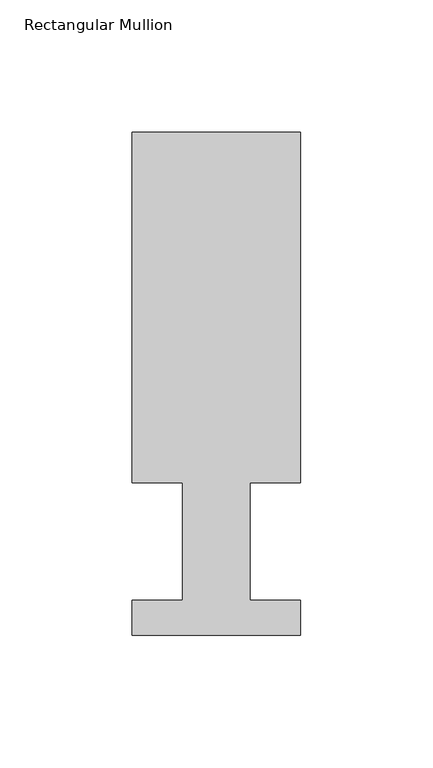
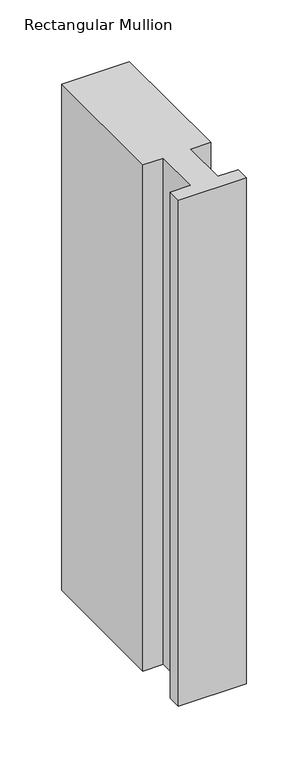
"""IFC4 building model written with IfcOpenShell, lengths in millimetres: member geometry, Rectangular Mullion."""

from ifc_helpers import new_model, si_unit, frame, origin, place, context, project, spatial, polyline, outline, extrude, source, transform, mapped, element, save


def rectangular_mullion_4f7aec96(model_context):
    return source(origin(), model_context, "Body", "SweptSolid", [
        extrude(outline(polyline([(-63.5, 189.8022938), (0.0, 189.8022938), (0.0, 57.6460937), (-19.0373, 57.6460937), (-19.0373, 13.1960938), (0.0, 13.1960938), (0.0, 0.0134938), (-63.5, 0.0134938), (-63.5, 13.1960938), (-44.45, 13.1960938), (-44.45, 57.6460937), (-63.5, 57.6460937), (-63.5, 189.8022938)])), frame((0.0, 0.0, -501.65), z_axis=(0.0, 0.0, 1.0), x_axis=(1.0, 0.0, 0.0)), (0.0, 0.0, 1.0), 501.65),
    ])


if __name__ == "__main__":
    model = new_model("IFC4")
    model_context = context("Model", 3, world=origin())
    ifc_project = project(units=[si_unit("LENGTHUNIT", "METRE", prefix="MILLI")], contexts=[model_context])
    site = spatial("IfcSite", under=ifc_project)
    building = spatial("IfcBuilding", under=site)
    placement = place(None, origin())
    rectangular_mullion_shape = rectangular_mullion_4f7aec96(model_context)
    element("IfcMember", 1, ObjectType="Rectangular Mullion", at=placement, inside=building, context=model_context, shape_type="MappedRepresentation", body=[
        mapped(rectangular_mullion_shape, transform((0.0, 0.0, 0.0), x_axis=(1.0, 0.0, 0.0), y_axis=(0.0, 1.0, 0.0), z_axis=(0.0, 0.0, 1.0))),
    ])
    save(model, "model.ifc")
